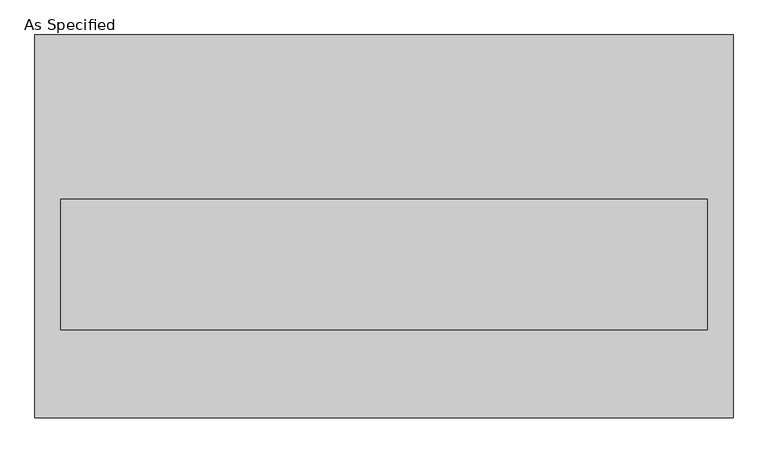
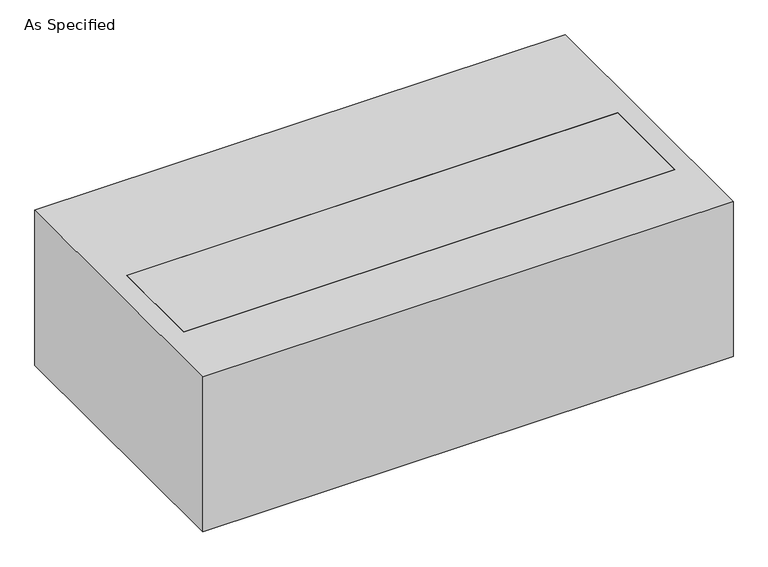
"""IFC4 building model written with IfcOpenShell, lengths in millimetres: proxy geometry, As Specified."""

from ifc_helpers import new_model, si_unit, frame, origin, place, context, project, spatial, polyline, outline, extrude, source, transform, mapped, element, save


def as_specified_bb865031(model_context):
    return source(origin(), model_context, "Body", "SweptSolid", [
        extrude(outline(polyline([(-815.975, -447.675), (-815.975, 447.675), (815.975, 447.675), (815.975, -447.675), (-815.975, -447.675)]), holes=[polyline([(755.65, 63.5), (-755.65, 63.5), (-755.65, -241.3), (755.65, -241.3), (755.65, 63.5)])]), frame((0.0, 0.0, -530.225), z_axis=(0.0, 0.0, 1.0), x_axis=(1.0, 0.0, 0.0)), (0.0, 0.0, 1.0), 504.825),
        extrude(outline(polyline([(755.65, 63.5), (755.65, -241.3), (-755.65, -241.3), (-755.65, 63.5), (755.65, 63.5)])), frame((0.0, 0.0, -530.225), z_axis=(0.0, 0.0, 1.0), x_axis=(1.0, 0.0, 0.0)), (0.0, 0.0, 1.0), 504.825),
    ])


if __name__ == "__main__":
    model = new_model("IFC4")
    model_context = context("Model", 3, world=origin())
    ifc_project = project(units=[si_unit("LENGTHUNIT", "METRE", prefix="MILLI")], contexts=[model_context])
    site = spatial("IfcSite", under=ifc_project)
    building = spatial("IfcBuilding", under=site)
    placement = place(None, origin())
    as_specified_shape = as_specified_bb865031(model_context)
    element("IfcBuildingElementProxy", 1, Name="As Specified", ObjectType="As Specified", at=placement, inside=building, context=model_context, shape_type="MappedRepresentation", body=[
        mapped(as_specified_shape, transform((0.0, 0.0, 0.0), x_axis=(1.0, 0.0, 0.0), y_axis=(0.0, 1.0, 0.0), z_axis=(0.0, 0.0, 1.0))),
    ])
    save(model, "model.ifc")
